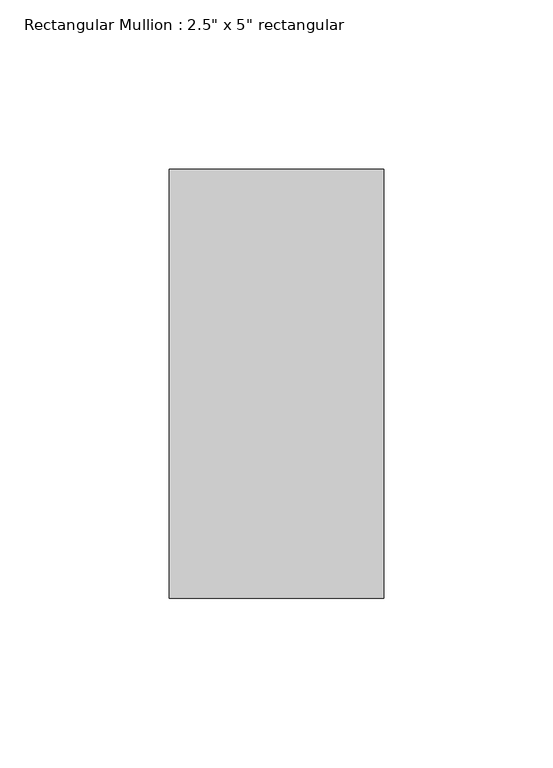
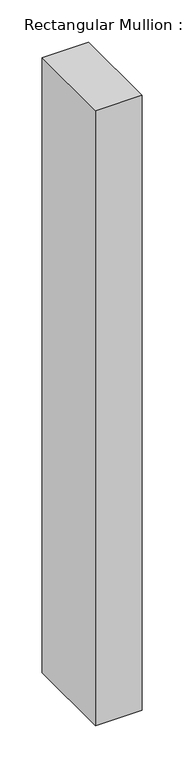
"""IFC4 building model written with IfcOpenShell, lengths in millimetres: member geometry."""

from ifc_helpers import new_model, si_unit, frame, origin, place, context, project, spatial, polyline, outline, extrude, source, transform, mapped, element, save


def member_6e431393(model_context):
    return source(origin(), model_context, "Body", "SweptSolid", [
        extrude(outline(polyline([(31.75, 63.5), (31.75, -63.5), (-31.75, -63.5), (-31.75, 63.5), (31.75, 63.5)])), frame((0.0, 0.0, -889.0), z_axis=(0.0, 0.0, 1.0), x_axis=(1.0, 0.0, 0.0)), (0.0, 0.0, 1.0), 889.0),
    ])


if __name__ == "__main__":
    model = new_model("IFC4")
    model_context = context("Model", 3, world=origin())
    ifc_project = project(units=[si_unit("LENGTHUNIT", "METRE", prefix="MILLI")], contexts=[model_context])
    site = spatial("IfcSite", under=ifc_project)
    building = spatial("IfcBuilding", under=site)
    placement = place(None, origin())
    member_shape = member_6e431393(model_context)
    element("IfcMember", 1, ObjectType="Rectangular Mullion : 2.5\" x 5\" rectangular", at=placement, inside=building, context=model_context, shape_type="MappedRepresentation", body=[
        mapped(member_shape, transform((0.0, 0.0, 0.0), x_axis=(1.0, 0.0, 0.0), y_axis=(0.0, 1.0, 0.0), z_axis=(0.0, 0.0, 1.0))),
    ])
    save(model, "model.ifc")
